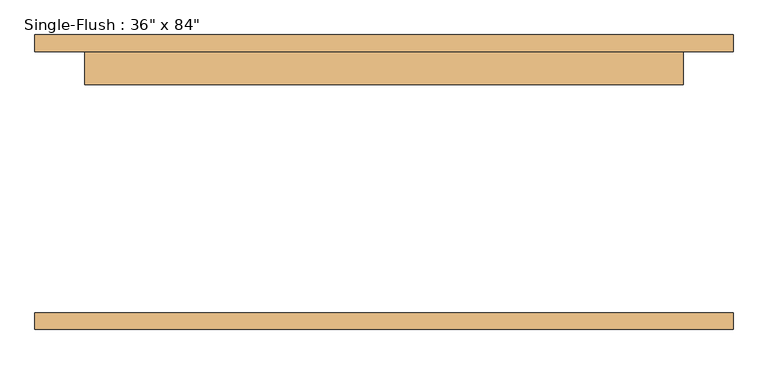
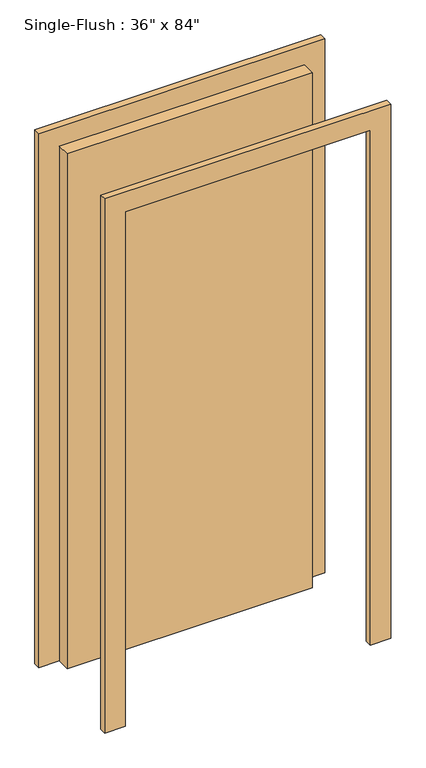
"""IFC4 building model written with IfcOpenShell, lengths in millimetres: door geometry."""

from ifc_helpers import new_model, si_unit, frame, origin, origin_with_axes, place, context, project, spatial, polyline, outline, extrude, source, transform, mapped, element, save


def door_b9484fa5(model_context):
    return source(origin(), model_context, "Body", "SweptSolid", [
        extrude(outline(polyline([(2106.2, -533.4), (0.0, -533.4), (0.0, -457.2), (2030.0, -457.2), (2030.0, 457.2), (0.0, 457.2), (0.0, 533.4), (2106.2, 533.4), (2106.2, -533.4)])), frame((0.0, 200.0, 0.0), z_axis=(0.0, 1.0, 0.0), x_axis=(0.0, 0.0, 1.0)), (0.0, 0.0, 1.0), 25.4),
        extrude(outline(polyline([(2106.2, 533.4), (2106.2, -533.4), (0.0, -533.4), (0.0, -457.2), (2030.0, -457.2), (2030.0, 457.2), (0.0, 457.2), (0.0, 533.4), (2106.2, 533.4)])), frame((0.0, -225.4, 0.0), z_axis=(0.0, 1.0, 0.0), x_axis=(0.0, 0.0, 1.0)), (0.0, 0.0, 1.0), 25.4),
        extrude(outline(polyline([(457.2, 149.2), (-457.2, 149.2), (-457.2, 200.0), (457.2, 200.0), (457.2, 149.2)])), origin_with_axes(), (0.0, 0.0, 1.0), 2030.0),
    ])


if __name__ == "__main__":
    model = new_model("IFC4")
    model_context = context("Model", 3, world=origin())
    ifc_project = project(units=[si_unit("LENGTHUNIT", "METRE", prefix="MILLI")], contexts=[model_context])
    site = spatial("IfcSite", under=ifc_project)
    building = spatial("IfcBuilding", under=site)
    placement = place(None, origin())
    door_shape = door_b9484fa5(model_context)
    element("IfcDoor", 1, ObjectType="Single-Flush : 36\" x 84\"", at=placement, inside=building, context=model_context, shape_type="MappedRepresentation", body=[
        mapped(door_shape, transform((0.0, 0.0, 0.0), x_axis=(1.0, 0.0, 0.0), y_axis=(0.0, 1.0, 0.0), z_axis=(0.0, 0.0, 1.0))),
    ])
    save(model, "model.ifc")
